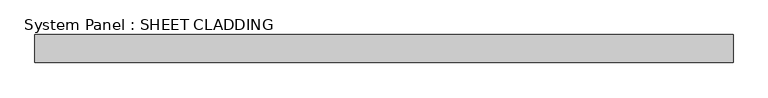
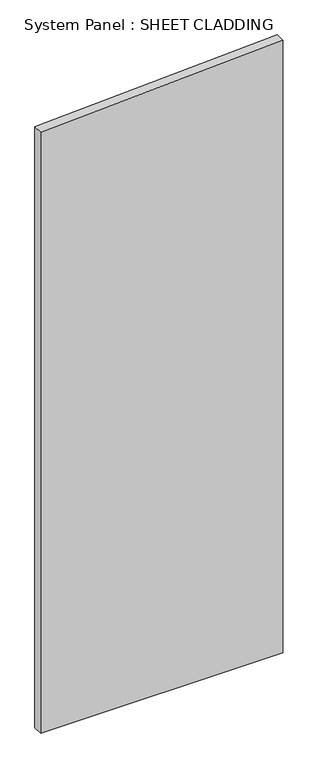
"""IFC4 building model written with IfcOpenShell, lengths in millimetres: plate geometry, System Panel : SHEET CLADDING."""

from ifc_helpers import new_model, si_unit, frame, origin, place, context, project, spatial, polyline, outline, extrude, source, transform, mapped, element, save


def system_panel_sheet_cladding_190a6a77(model_context):
    return source(origin(), model_context, "Body", "SweptSolid", [
        extrude(outline(polyline([(0.0, -750.0), (0.0, 750.0), (4010.1, 750.0), (3935.1, -750.0), (0.0, -750.0)])), frame((0.0, -49.5, 0.0), z_axis=(0.0, 1.0, 0.0), x_axis=(0.0, 0.0, 1.0)), (0.0, 0.0, 1.0), 60.0),
    ])


if __name__ == "__main__":
    model = new_model("IFC4")
    model_context = context("Model", 3, world=origin())
    ifc_project = project(units=[si_unit("LENGTHUNIT", "METRE", prefix="MILLI")], contexts=[model_context])
    site = spatial("IfcSite", under=ifc_project)
    building = spatial("IfcBuilding", under=site)
    placement = place(None, origin())
    system_panel_sheet_cladding_shape = system_panel_sheet_cladding_190a6a77(model_context)
    element("IfcPlate", 1, ObjectType="System Panel : SHEET CLADDING", at=placement, inside=building, context=model_context, shape_type="MappedRepresentation", body=[
        mapped(system_panel_sheet_cladding_shape, transform((0.0, 0.0, 0.0), x_axis=(1.0, 0.0, 0.0), y_axis=(0.0, 1.0, 0.0), z_axis=(0.0, 0.0, 1.0))),
    ])
    save(model, "model.ifc")
